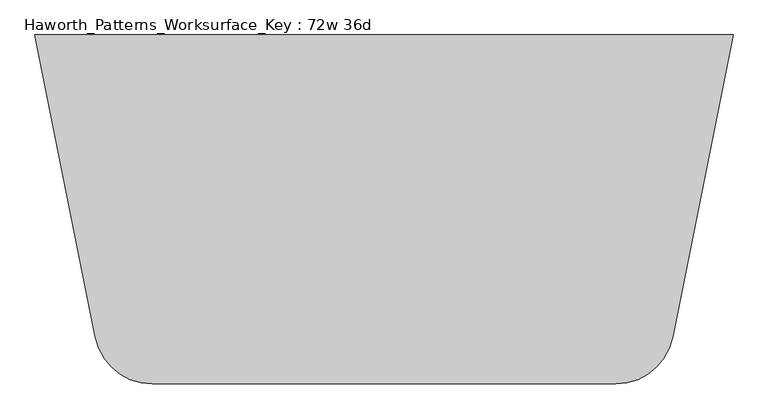
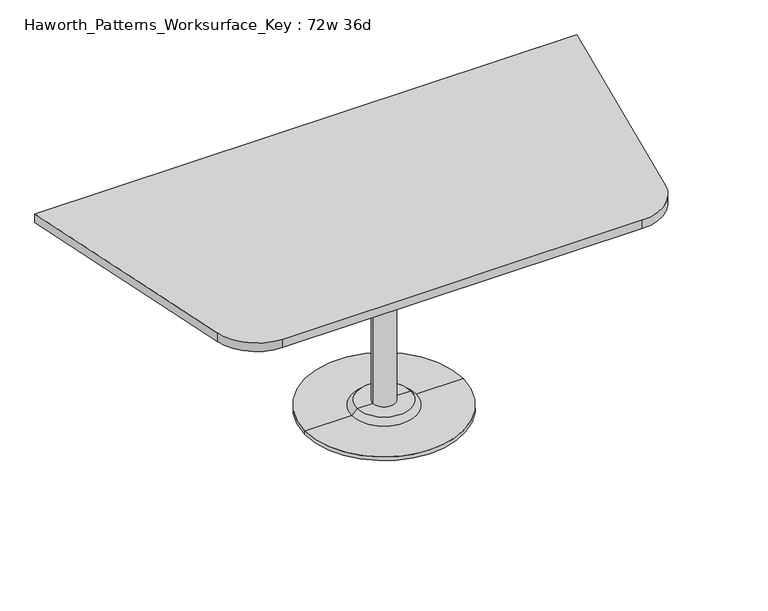
"""IFC4 building model written with IfcOpenShell, lengths in millimetres: furniture geometry, Haworth_Patterns_Worksurface_Key : 72w 36d."""

from ifc_helpers import new_model, si_unit, point, frame, frame_2d, origin, place, context, project, spatial, polyline, circle_curve, trimmed, segment, composite_curve, outline, extrude, source, transform, mapped, element, save
from ifc_brep_helpers import plane_surface, cylinder_surface, revolved_surface, advanced_brep


def haworth_patterns_worksurface_key_72w_36d_a5a183f8(model_context):
    return source(origin(), model_context, "Body", "SolidModel", [
        advanced_brep(
        [(38.1, 139.7, 706.4375), (-38.1, 139.7, 706.4375), (0.0, 139.7, 706.4375), (38.1, 139.7, 31.75), (-38.1, 139.7, 31.75), (89.723978, 139.7, 31.75), (-89.723978, 139.7, 31.75), (266.7, 139.7, 0.0), (-266.7, 139.7, 0.0), (-266.7, 139.7, 12.7), (266.7, 139.7, 12.7), (0.0, 139.7, 0.0), (108.773978, 139.7, 12.7), (-108.773978, 139.7, 12.7)],
        [
            (0, 1, circle_curve(frame((0.0, 139.7, 706.4375), z_axis=(0.0, 0.0, 1.0), x_axis=(-1.0, 0.0, 0.0)), 38.1)),
            (1, 2),
            (2, 0),
            (1, 0, circle_curve(frame((0.0, 139.7, 706.4375), z_axis=(0.0, 0.0, 1.0), x_axis=(-1.0, 0.0, 0.0)), 38.1)),
            (3, 4, circle_curve(frame((0.0, 139.7, 31.75), z_axis=(0.0, 0.0, 1.0), x_axis=(-1.0, 0.0, 0.0)), 38.1)),
            (4, 1),
            (0, 3),
            (4, 3, circle_curve(frame((0.0, 139.7, 31.75), z_axis=(0.0, 0.0, 1.0), x_axis=(-1.0, 0.0, 0.0)), 38.1)),
            (5, 6, circle_curve(frame((0.0, 139.7, 31.75), z_axis=(0.0, 0.0, 1.0), x_axis=(-1.0, 0.0, 0.0)), 89.723978)),
            (6, 4),
            (3, 5),
            (6, 5, circle_curve(frame((0.0, 139.7, 31.75), z_axis=(0.0, 0.0, 1.0), x_axis=(-1.0, 0.0, 0.0)), 89.723978)),
            (7, 8, circle_curve(frame((0.0, 139.7, 0.0), z_axis=(0.0, 0.0, 1.0), x_axis=(-1.0, 0.0, 0.0)), 266.7)),
            (8, 9),
            (9, 10, circle_curve(frame((0.0, 139.7, 12.7), z_axis=(0.0, 0.0, -1.0), x_axis=(-1.0, 0.0, 0.0)), 266.7)),
            (10, 7),
            (8, 7, circle_curve(frame((0.0, 139.7, 0.0), z_axis=(0.0, 0.0, 1.0), x_axis=(-1.0, 0.0, 0.0)), 266.7)),
            (10, 9, circle_curve(frame((0.0, 139.7, 12.7), z_axis=(0.0, 0.0, -1.0), x_axis=(-1.0, 0.0, 0.0)), 266.7)),
            (11, 8),
            (7, 11),
            (12, 13, circle_curve(frame((0.0, 139.7, 12.7), z_axis=(0.0, 0.0, 1.0), x_axis=(-1.0, 0.0, 0.0)), 108.773978)),
            (13, 6),
            (5, 12),
            (13, 12, circle_curve(frame((0.0, 139.7, 12.7), z_axis=(0.0, 0.0, 1.0), x_axis=(-1.0, 0.0, 0.0)), 108.773978)),
            (9, 13),
            (12, 10),
        ],
        [
            plane_surface(frame((0.0, 139.7, 706.4375), z_axis=(0.0, 0.0, 1.0), x_axis=(-1.0, 0.0, 0.0))),
            cylinder_surface(frame((0.0, 139.7, 889.623257), z_axis=(0.0, 0.0, -1.0), x_axis=(-1.0, 0.0, 0.0)), 38.1),
            plane_surface(frame((0.0, 139.7, 31.75), z_axis=(0.0, 0.0, 1.0), x_axis=(-1.0, 0.0, 0.0))),
            cylinder_surface(frame((0.0, 139.7, 889.623257), z_axis=(0.0, 0.0, -1.0), x_axis=(-1.0, 0.0, 0.0)), 266.7),
            plane_surface(frame((0.0, 139.7, 0.0), z_axis=(0.0, 0.0, -1.0), x_axis=(-1.0, 0.0, 0.0))),
            revolved_surface(polyline([(-89.723978, 139.7, 31.75), (-108.773978, 139.7, 12.7)]), (0.0, 139.7, 889.623257), (0.0, 0.0, -1.0)),
            plane_surface(frame((0.0, 139.7, 12.7), z_axis=(0.0, 0.0, 1.0), x_axis=(-1.0, 0.0, 0.0))),
        ],
        [
            (0, [[1, 2, 3]]),
            (0, [[4, -3, -2]]),
            (1, [[5, 6, -1, 7]]),
            (1, [[8, -7, -4, -6]]),
            (2, [[9, 10, -5, 11]]),
            (2, [[12, -11, -8, -10]]),
            (3, [[13, 14, 15, 16]]),
            (3, [[17, -16, 18, -14]]),
            (4, [[19, -13, 20]]),
            (4, [[-20, -17, -19]]),
            (5, [[21, 22, -9, 23]]),
            (5, [[24, -23, -12, -22]]),
            (6, [[-15, 25, -21, 26]]),
            (6, [[-18, -26, -24, -25]]),
        ],
    ),
        extrude(outline(composite_curve([segment(polyline([(914.4, 596.9), (756.0223802, -194.988099)]), True, "CONTINUOUS"), segment(trimmed(circle_curve(frame_2d((606.5818852, -165.1)), 152.4), [point((756.0223802, -194.988099))], [point((606.5818852, -317.5))], False, "CARTESIAN"), True, "CONTINUOUS"), segment(polyline([(606.5818852, -317.5), (-606.5818852, -317.5)]), True, "CONTINUOUS"), segment(trimmed(circle_curve(frame_2d((-606.5818852, -165.1)), 152.4), [point((-606.5818852, -317.5))], [point((-756.0223802, -194.988099))], False, "CARTESIAN"), True, "CONTINUOUS"), segment(polyline([(-756.0223802, -194.988099), (-914.4, 596.9), (914.4, 596.9)]), True, "CONTINUOUS")], self_intersect=False)), frame((0.0, 0.0, 706.4375), z_axis=(0.0, 0.0, 1.0), x_axis=(1.0, 0.0, 0.0)), (0.0, 0.0, 1.0), 30.1625),
    ])


if __name__ == "__main__":
    model = new_model("IFC4")
    model_context = context("Model", 3, world=origin())
    ifc_project = project(units=[si_unit("LENGTHUNIT", "METRE", prefix="MILLI")], contexts=[model_context])
    site = spatial("IfcSite", under=ifc_project)
    building = spatial("IfcBuilding", under=site)
    placement = place(None, origin())
    haworth_patterns_worksurface_key_72w_36d_shape = haworth_patterns_worksurface_key_72w_36d_a5a183f8(model_context)
    element("IfcFurniture", 1, ObjectType="Haworth_Patterns_Worksurface_Key : 72w 36d", at=placement, inside=building, context=model_context, shape_type="MappedRepresentation", body=[
        mapped(haworth_patterns_worksurface_key_72w_36d_shape, transform((0.0, 0.0, 0.0), x_axis=(1.0, 0.0, 0.0), y_axis=(0.0, 1.0, 0.0), z_axis=(0.0, 0.0, 1.0))),
    ])
    save(model, "model.ifc")
